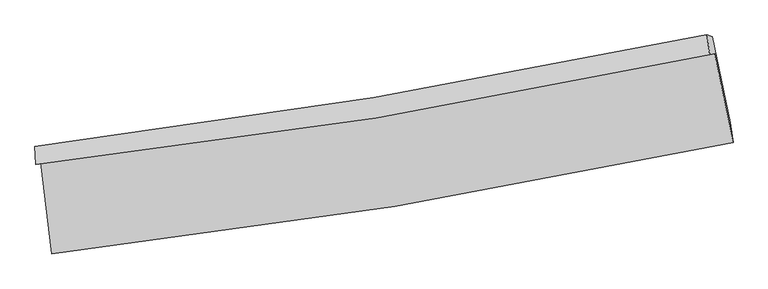
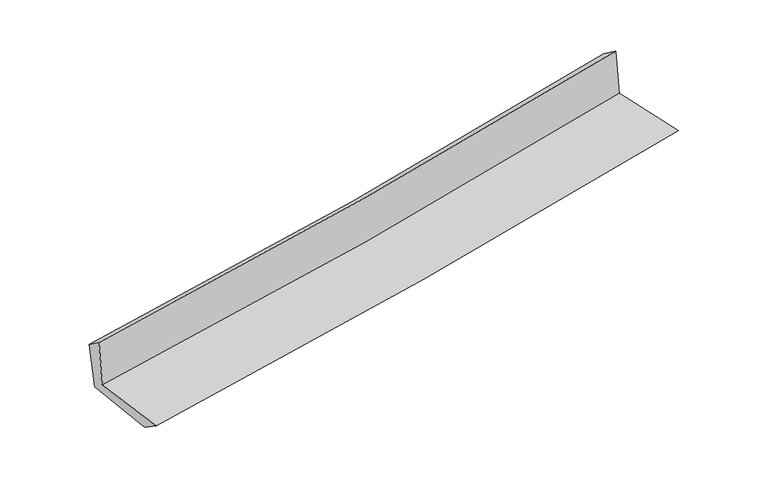
"""IFC4 building model written with IfcOpenShell, lengths in millimetres: proxy geometry."""

from ifc_helpers import new_model, si_unit, frame, origin, place, context, project, spatial, source, transform, mapped, element, save
from ifc_brep_helpers import plane_surface, spline_curve, spline_surface, advanced_brep


def generic_models_753104d7(model_context):
    return source(origin(), model_context, "Body", "AdvancedBrep", [
        advanced_brep(
        [(-2493.4329393, -1877.4962087, 1645.3728691), (-2413.9221161, -2545.8591805, 1649.0932044), (2566.6357674, -1729.1071188, 2108.9136023), (2431.0398795, -1077.7004787, 2101.2360964), (-2528.1629786, -1890.184303, 2054.6698927), (2396.4546413, -1087.3273356, 2504.7685688), (-2535.4054801, -1757.909543, 1958.0240117), (2375.7199171, -941.9064105, 2397.9152834), (-2499.1375126, -1770.6431911, 1565.6525846), (2412.8989076, -953.7555202, 2015.3272561), (-2423.3109983, -2388.1391661, 1542.3608306), (2545.2023347, -1582.3360964, 2006.6495308)],
        [
            (0, 1),
            (1, 2, spline_curve(3, [(-2413.9221161, -2545.8591805, 1649.0932044), (-1575.219716079, -2450.406453494, 1736.507812127), (-739.006619764, -2334.227122308, 1818.679122398), (921.135910056, -2061.614814655, 1971.861107703), (1745.108774852, -1905.543458823, 2042.963263321), (2566.6357674, -1729.1071188, 2108.9136023)], [4, 2, 4], [0.0, 8.305112593183551, 16.537456108238484])),
            (2, 3),
            (3, 0, spline_curve(3, [(2431.0398795, -1077.7004787, 2101.2360964), (1619.920025731, -1248.209187555, 2029.179395215), (805.806342089, -1399.903066223, 1955.337492265), (-835.63143626, -1666.835737272, 1803.414782976), (-1663.008692093, -1781.740435056, 1725.302277062), (-2493.4329393, -1877.4962087, 1645.3728691)], [4, 2, 4], [0.0, 8.232343515054932, 16.537456108238484])),
            (4, 0),
            (3, 5),
            (5, 4, spline_curve(3, [(2396.4546413, -1087.3273356, 2504.7685688), (1585.581346814, -1262.564384901, 2438.721242854), (771.579524136, -1416.885700278, 2368.373409954), (-869.90412937, -1684.876089049, 2218.416881791), (-1697.441513255, -1798.173763176, 2138.731822822), (-2528.1629786, -1890.184303, 2054.6698927)], [4, 2, 4], [0.0, 8.184993558429229, 16.44233764920035])),
            (6, 4),
            (5, 7),
            (7, 6, spline_curve(3, [(2375.7199171, -941.9064105, 2397.9152834), (1566.991639458, -1112.12368427, 2326.647813071), (755.181523271, -1265.009961554, 2254.521570131), (-881.805551798, -1537.318751453, 2107.906395634), (-1707.037234815, -1656.433518492, 2033.40221426), (-2535.4054801, -1757.909543, 1958.0240117)], [4, 2, 4], [0.0, 8.175022012214157, 16.422306414162424])),
            (8, 6),
            (7, 9),
            (9, 8, spline_curve(3, [(2412.8989076, -953.7555202, 2015.3272561), (1604.256404725, -1123.968413885, 1939.247464993), (792.414112867, -1276.925555277, 1863.896349875), (-844.874542225, -1549.527855451, 1713.991853826), (-1670.377723664, -1668.866604027, 1639.451411606), (-2499.1375126, -1770.6431911, 1565.6525846)], [4, 2, 4], [0.0, 8.16621389815065, 16.404612327484042])),
            (10, 8),
            (9, 11),
            (11, 10, spline_curve(3, [(2545.2023347, -1582.3360964, 2006.6495308), (1724.600739148, -1744.807664187, 1931.381495456), (902.087507975, -1892.961505762, 1855.230902374), (-754.04965845, -2161.816768031, 1700.483674054), (-1587.707537875, -2282.263950057, 1621.87136666), (-2423.3109983, -2388.1391661, 1542.3608306)], [4, 2, 4], [0.0, 8.212320948498828, 16.497233987406144])),
            (1, 10),
            (11, 2),
        ],
        [
            spline_surface(3, 3, [[(-2493.4329393, -1877.4962087, 1645.3728691), (-1663.008692047, -1781.740434973, 1725.302276925), (-835.631436222, -1666.835737161, 1803.414782941), (805.806342051, -1399.903066334, 1955.3374923), (1619.920025836, -1248.209187449, 2029.179395345), (2431.0398795, -1077.7004787, 2101.2360964)], [(-2466.929331595, -2100.28386599, 1646.612980887), (-1633.74570011, -2004.62910788, 1729.037455339), (-803.423164055, -1889.299532168, 1808.502896096), (844.249531431, -1620.473649135, 1960.845364121), (1661.649608843, -1467.320611287, 2033.774018039), (2476.238508777, -1294.836025403, 2103.795265029)], [(-2440.425723805, -2323.07152321, 1647.853092613), (-1604.482708089, -2227.517780715, 1732.772633691), (-771.214891978, -2111.763327196, 1813.591009216), (882.692720721, -1841.044231957, 1966.353235908), (1703.379191919, -1686.432035117, 2038.368640746), (2521.437138123, -1511.971572097, 2106.354433671)], [(-2413.9221161, -2545.8591805, 1649.0932044), (-1575.219716152, -2450.406453622, 1736.507812105), (-739.00661981, -2334.227122204, 1818.679122372), (921.135910101, -2061.614814758, 1971.861107729), (1745.108774926, -1905.543458955, 2042.96326344), (2566.6357674, -1729.1071188, 2108.9136023)]], [4, 4], [4, 2, 4], [0.0, 2.2084903786927867], [0.0, 8.305112593183551, 16.537456108238484]),
            spline_surface(3, 3, [[(-2528.1629786, -1890.184303, 2054.6698927), (-1697.441513391, -1798.17376309, 2138.731822838), (-869.904129355, -1684.876089151, 2218.416881822), (771.579524121, -1416.885700176, 2368.373409924), (1585.581346739, -1262.564384967, 2438.721242968), (2396.4546413, -1087.3273356, 2504.7685688)], [(-2516.586298828, -1885.954938215, 1918.237551492), (-1685.963906271, -1792.695987032, 2000.921974193), (-858.479898316, -1678.862638489, 2080.082848871), (782.988463426, -1411.22482223, 2230.694770725), (1597.027573115, -1257.779319116, 2302.20729377), (2407.983054044, -1084.118383289, 2370.257744676)], [(-2505.009619072, -1881.725573485, 1781.805210308), (-1674.486299167, -1787.218211031, 1863.11212557), (-847.055667261, -1672.849187823, 1941.748815892), (794.397402746, -1405.56394428, 2093.016131499), (1608.473799459, -1252.994253299, 2165.693344544), (2419.511466756, -1080.909431011, 2235.746920524)], [(-2493.4329393, -1877.4962087, 1645.3728691), (-1663.008692047, -1781.740434973, 1725.302276925), (-835.631436222, -1666.835737161, 1803.414782941), (805.806342051, -1399.903066334, 1955.3374923), (1619.920025836, -1248.209187449, 2029.179395345), (2431.0398795, -1077.7004787, 2101.2360964)]], [4, 4], [4, 2, 4], [0.0, 1.3642087835324792], [0.0, 8.257344090771122, 16.44233764920035]),
            spline_surface(3, 3, [[(-2535.4054801, -1757.909543, 1958.0240117), (-1707.037234679, -1656.433518482, 2033.402214351), (-881.80555176, -1537.318751486, 2107.906395524), (755.181523233, -1265.009961521, 2254.521570239), (1566.991639368, -1112.123684328, 2326.647812965), (2375.7199171, -941.9064105, 2397.9152834)], [(-2532.991312908, -1802.001129673, 1990.239305374), (-1703.83866089, -1703.680266691, 2068.512083854), (-877.838410958, -1586.504530719, 2144.743224293), (760.647523529, -1315.635207751, 2292.47218347), (1573.188208501, -1162.270584544, 2364.005622976), (2382.631491842, -990.380052203, 2433.53304521)], [(-2530.577145792, -1846.092716327, 2022.454599026), (-1700.640087179, -1750.927014881, 2103.621953335), (-873.871270157, -1635.690309918, 2181.580053053), (766.113523825, -1366.260453946, 2330.422796693), (1579.384777606, -1212.417484751, 2401.363432957), (2389.543066558, -1038.853693897, 2469.15080699)], [(-2528.1629786, -1890.184303, 2054.6698927), (-1697.441513391, -1798.17376309, 2138.731822838), (-869.904129355, -1684.876089151, 2218.416881822), (771.579524121, -1416.885700176, 2368.373409924), (1585.581346739, -1262.564384967, 2438.721242968), (2396.4546413, -1087.3273356, 2504.7685688)]], [4, 4], [4, 2, 4], [0.0, 0.6154545537017658], [0.0, 8.247284401948267, 16.422306414162424]),
            spline_surface(3, 3, [[(-2499.1375126, -1770.6431911, 1565.6525846), (-1670.377723575, -1668.866604057, 1639.451411564), (-844.874542128, -1549.527855352, 1713.991853738), (792.414112771, -1276.925555375, 1863.896349962), (1604.256404676, -1123.968413752, 1939.247464984), (2412.8989076, -953.7555202, 2015.3272561)], [(-2511.226835101, -1766.398641743, 1696.443060287), (-1682.597560611, -1664.722242208, 1770.768345813), (-857.184878675, -1545.458154052, 1845.296700987), (780.003249588, -1272.953690745, 1994.104756709), (1591.834816221, -1120.020170617, 2068.380914313), (2400.505910748, -949.805816973, 2142.856598536)], [(-2523.316157599, -1762.154092357, 1827.233536013), (-1694.817397643, -1660.577880331, 1902.085280101), (-869.495215212, -1541.388452787, 1976.601548275), (767.592386416, -1268.981826151, 2124.313163493), (1579.413227823, -1116.071927462, 2197.514363636), (2388.112913952, -945.856113727, 2270.385940964)], [(-2535.4054801, -1757.909543, 1958.0240117), (-1707.037234679, -1656.433518482, 2033.402214351), (-881.80555176, -1537.318751486, 2107.906395524), (755.181523233, -1265.009961521, 2254.521570239), (1566.991639368, -1112.123684328, 2326.647812965), (2375.7199171, -941.9064105, 2397.9152834)]], [4, 4], [4, 2, 4], [0.0, 1.293364489803152], [0.0, 8.238398429333392, 16.404612327484042]),
            spline_surface(3, 3, [[(-2423.3109983, -2388.1391661, 1542.3608306), (-1587.707537887, -2282.263950021, 1621.871366779), (-754.049658326, -2161.816768152, 1700.483673933), (902.087507852, -1892.961505642, 1855.230902493), (1724.600739248, -1744.807664248, 1931.381495344), (2545.2023347, -1582.3360964, 2006.6495308)], [(-2448.586503066, -2182.307174424, 1550.124748623), (-1615.264266449, -2077.798168023, 1627.73138173), (-784.324619586, -1957.720463878, 1704.986400548), (865.529709499, -1687.616188878, 1858.119384996), (1684.48596106, -1537.861247406, 1934.003485201), (2501.101192336, -1372.809237656, 2009.542105877)], [(-2473.862007834, -1976.475182776, 1557.888666577), (-1642.820995013, -1873.332386055, 1633.591396612), (-814.599580867, -1753.624159627, 1709.489127123), (828.971911125, -1482.270872138, 1861.007867459), (1644.371182864, -1330.914830594, 1936.625475127), (2457.000049964, -1163.282378944, 2012.434681023)], [(-2499.1375126, -1770.6431911, 1565.6525846), (-1670.377723575, -1668.866604057, 1639.451411564), (-844.874542128, -1549.527855352, 1713.991853738), (792.414112771, -1276.925555375, 1863.896349962), (1604.256404676, -1123.968413752, 1939.247464984), (2412.8989076, -953.7555202, 2015.3272561)]], [4, 4], [4, 2, 4], [0.0, 2.041863931956821], [0.0, 8.284913038907316, 16.497233987406144]),
            spline_surface(3, 3, [[(-2413.9221161, -2545.8591805, 1649.0932044), (-1575.219716152, -2450.406453622, 1736.507812105), (-739.00661981, -2334.227122204, 1818.679122372), (921.135910101, -2061.614814758, 1971.861107729), (1745.108774926, -1905.543458955, 2042.96326344), (2566.6357674, -1729.1071188, 2108.9136023)], [(-2417.051743502, -2493.285842355, 1613.515746436), (-1579.382323399, -2394.35895241, 1698.295663632), (-744.020966011, -2276.757004201, 1779.280639534), (914.786442657, -2005.397045066, 1932.984372626), (1738.272763052, -1851.964860728, 2005.769340747), (2559.491289852, -1680.183444676, 2074.825578472)], [(-2420.181370898, -2440.712504245, 1577.938288564), (-1583.544930639, -2338.311451232, 1660.083515251), (-749.035312126, -2219.286886156, 1739.882156771), (908.436975297, -1949.179275334, 1894.107637597), (1731.436751122, -1798.386262475, 1968.575418037), (2552.346812248, -1631.259770524, 2040.737554628)], [(-2423.3109983, -2388.1391661, 1542.3608306), (-1587.707537887, -2282.263950021, 1621.871366779), (-754.049658326, -2161.816768152, 1700.483673933), (902.087507852, -1892.961505642, 1855.230902493), (1724.600739248, -1744.807664248, 1931.381495344), (2545.2023347, -1582.3360964, 2006.6495308)]], [4, 4], [4, 2, 4], [0.0, 0.6816248597514534], [0.0, 8.341558798909121, 16.61002917943238]),
            plane_surface(frame((2454.6585746, -1228.6888267, 2189.1350563), z_axis=(0.9749709357637245, 0.20399078636732726, 0.08842756071071378), x_axis=(-0.09667606671452414, 0.030811092521958065, 0.9948388888167834))),
            plane_surface(frame((-2482.2286708, -2038.3719321, 1735.8622322), z_axis=(-0.9891240302941637, -0.11815726490232212, -0.08759288467354524), x_axis=(-0.11812875829372455, 0.9929829029936992, -0.005527280180049029))),
        ],
        [
            (0, [[1, 2, 3, 4]]),
            (1, [[5, -4, 6, 7]]),
            (2, [[8, -7, 9, 10]]),
            (3, [[11, -10, 12, 13]]),
            (4, [[14, -13, 15, 16]]),
            (5, [[17, -16, 18, -2]]),
            (6, [[-12, -9, -6, -3, -18, -15]]),
            (7, [[-1, -5, -8, -11, -14, -17]]),
        ],
    ),
    ])


if __name__ == "__main__":
    model = new_model("IFC4")
    model_context = context("Model", 3, world=origin())
    ifc_project = project(units=[si_unit("LENGTHUNIT", "METRE", prefix="MILLI")], contexts=[model_context])
    site = spatial("IfcSite", under=ifc_project)
    building = spatial("IfcBuilding", under=site)
    placement = place(None, origin())
    generic_models_shape = generic_models_753104d7(model_context)
    element("IfcBuildingElementProxy", 1, Name="Generic Models", at=placement, inside=building, context=model_context, shape_type="MappedRepresentation", body=[
        mapped(generic_models_shape, transform((0.0, 0.0, 0.0), x_axis=(1.0, 0.0, 0.0), y_axis=(0.0, 1.0, 0.0), z_axis=(0.0, 0.0, 1.0))),
    ])
    save(model, "model.ifc")
